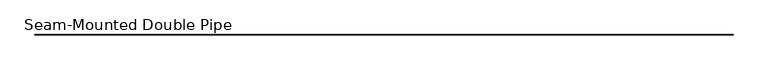
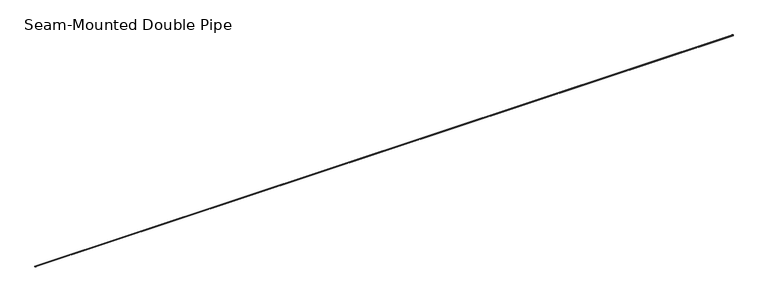
"""IFC4 building model written with IfcOpenShell, lengths in millimetres: proxy geometry, Seam-Mounted Double Pipe."""

from ifc_helpers import new_model, si_unit, point, frame, frame_2d, origin, place, context, project, spatial, circle_curve, trimmed, segment, composite_curve, outline, extrude, source, transform, mapped, element, save


def seam_mounted_double_pipe_0d6e808e(model_context):
    return source(origin(), model_context, "Body", "SweptSolid", [
        extrude(outline(composite_curve([segment(trimmed(circle_curve(frame_2d((0.0, 4031.45625)), 12.7), [point((-12.7, 4031.45625))], [point((12.7, 4031.45625))], False, "CARTESIAN"), True, "CONTINUOUS"), segment(trimmed(circle_curve(frame_2d((0.0, 4031.45625)), 12.7), [point((12.7, 4031.45625))], [point((-12.7, 4031.45625))], False, "CARTESIAN"), True, "CONTINUOUS")], self_intersect=False)), frame((-101.6, 0.0, 0.0), z_axis=(1.0, 0.0, 0.0), x_axis=(0.0, 1.0, 0.0)), (0.0, 0.0, 1.0), 66639.0531767),
        extrude(outline(composite_curve([segment(trimmed(circle_curve(frame_2d((0.0, 3976.6875)), 12.7), [point((-12.7, 3976.6875))], [point((12.7, 3976.6875))], False, "CARTESIAN"), True, "CONTINUOUS"), segment(trimmed(circle_curve(frame_2d((0.0, 3976.6875)), 12.7), [point((12.7, 3976.6875))], [point((-12.7, 3976.6875))], False, "CARTESIAN"), True, "CONTINUOUS")], self_intersect=False)), frame((-101.6, 0.0, 0.0), z_axis=(1.0, 0.0, 0.0), x_axis=(0.0, 1.0, 0.0)), (0.0, 0.0, 1.0), 66639.0531767),
    ])


if __name__ == "__main__":
    model = new_model("IFC4")
    model_context = context("Model", 3, world=origin())
    ifc_project = project(units=[si_unit("LENGTHUNIT", "METRE", prefix="MILLI")], contexts=[model_context])
    site = spatial("IfcSite", under=ifc_project)
    building = spatial("IfcBuilding", under=site)
    placement = place(None, origin())
    seam_mounted_double_pipe_shape = seam_mounted_double_pipe_0d6e808e(model_context)
    element("IfcBuildingElementProxy", 1, Name="Seam-Mounted Double Pipe", ObjectType="Seam-Mounted Double Pipe", at=placement, inside=building, context=model_context, shape_type="MappedRepresentation", body=[
        mapped(seam_mounted_double_pipe_shape, transform((0.0, 0.0, 0.0), x_axis=(1.0, 0.0, 0.0), y_axis=(0.0, 1.0, 0.0), z_axis=(0.0, 0.0, 1.0))),
    ])
    save(model, "model.ifc")
